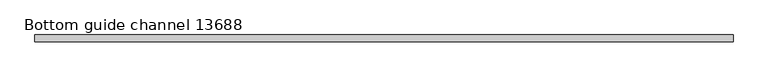
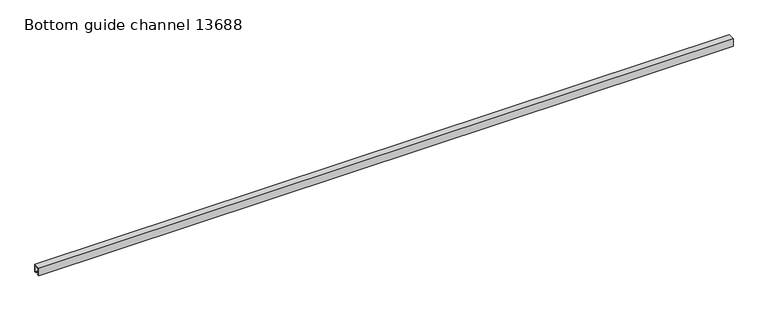
"""IFC4 building model written with IfcOpenShell, lengths in millimetres: proxy geometry, Bottom guide channel 13688."""

from ifc_helpers import new_model, si_unit, frame, origin, place, context, project, spatial, polyline, outline, extrude, source, transform, mapped, element, save


def bottom_guide_channel_13688_4d084c24(model_context):
    return source(origin(), model_context, "Body", "SweptSolid", [
        extrude(outline(polyline([(-14.0, 0.0), (-14.0, 32.0), (14.0, 32.0), (14.0, 0.0), (6.0, 0.0), (6.0, 3.0), (11.0, 3.0), (11.0, 29.0), (-10.9166556, 29.0), (-10.9166556, 3.0), (-6.0, 3.0), (-6.0, 0.0), (-14.0, 0.0)])), frame((0.0, 0.0, 0.0), z_axis=(1.0, 0.0, 0.0), x_axis=(0.0, 1.0, 0.0)), (0.0, 0.0, 1.0), 2800.0),
    ])


if __name__ == "__main__":
    model = new_model("IFC4")
    model_context = context("Model", 3, world=origin())
    ifc_project = project(units=[si_unit("LENGTHUNIT", "METRE", prefix="MILLI")], contexts=[model_context])
    site = spatial("IfcSite", under=ifc_project)
    building = spatial("IfcBuilding", under=site)
    placement = place(None, origin())
    bottom_guide_channel_13688_shape = bottom_guide_channel_13688_4d084c24(model_context)
    element("IfcBuildingElementProxy", 1, Name="Bottom guide channel 13688", ObjectType="Bottom guide channel 13688", at=placement, inside=building, context=model_context, shape_type="MappedRepresentation", body=[
        mapped(bottom_guide_channel_13688_shape, transform((0.0, 0.0, 0.0), x_axis=(1.0, 0.0, 0.0), y_axis=(0.0, 1.0, 0.0), z_axis=(0.0, 0.0, 1.0))),
    ])
    save(model, "model.ifc")
